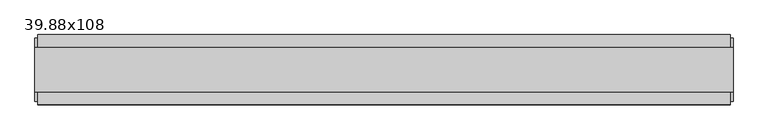
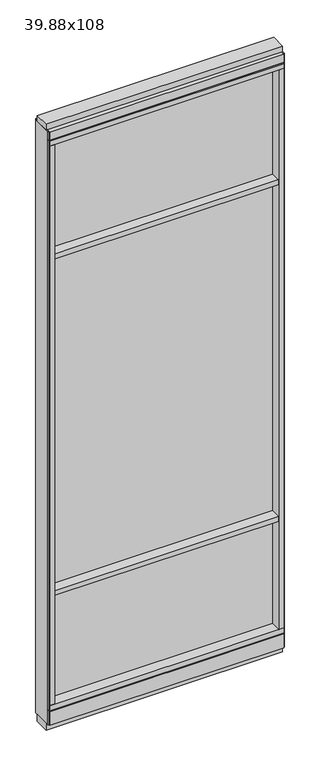
"""IFC4 building model written with IfcOpenShell, lengths in millimetres: furniture geometry, 39.88x108."""

from ifc_helpers import new_model, si_unit, frame, origin, origin_with_axes, place, context, project, spatial, polyline, outline, extrude, source, transform, mapped, element, save


def furniture_39_88x108_29c61fdb(model_context):
    return source(origin(), model_context, "Body", "SweptSolid", [
        extrude(outline(polyline([(-540.3366323, 0.5622784), (420.2635864, 0.5622784), (420.2635864, -9.5977216), (-540.3366323, -9.5977216), (-540.3366323, 0.5622784)])), frame((0.0, 0.0, 2155.825), z_axis=(0.0, 0.0, 1.0), x_axis=(1.0, 0.0, 0.0)), (0.0, 0.0, 1.0), 498.475),
        extrude(outline(polyline([(-540.3366323, 0.5622784), (420.2635864, 0.5622784), (420.2635864, -9.5977216), (-540.3366323, -9.5977216), (-540.3366323, 0.5622784)])), frame((0.0, 0.0, 631.825), z_axis=(0.0, 0.0, 1.0), x_axis=(1.0, 0.0, 0.0)), (0.0, 0.0, 1.0), 1501.775),
        extrude(outline(polyline([(-540.3366323, -52.3332216), (-540.3366323, 43.2977784), (420.2635864, 43.2977784), (420.2635864, -52.3332216), (-540.3366323, -52.3332216)])), frame((0.0, 0.0, 2133.6), z_axis=(0.0, 0.0, 1.0), x_axis=(1.0, 0.0, 0.0)), (0.0, 0.0, 1.0), 22.225),
        extrude(outline(polyline([(-540.3366323, -52.3332216), (-540.3366323, 43.2977784), (420.2635864, 43.2977784), (420.2635864, -52.3332216), (-540.3366323, -52.3332216)])), frame((0.0, 0.0, 609.6), z_axis=(0.0, 0.0, 1.0), x_axis=(1.0, 0.0, 0.0)), (0.0, 0.0, 1.0), 22.225),
        extrude(outline(polyline([(420.2635864, -9.5977216), (-540.3366323, -9.5977216), (-540.3366323, 0.5622784), (420.2635864, 0.5622784), (420.2635864, -9.5977216)])), frame((0.0, 0.0, 120.523), z_axis=(0.0, 0.0, 1.0), x_axis=(1.0, 0.0, 0.0)), (0.0, 0.0, 1.0), 489.077),
        extrude(outline(polyline([(-55.3177216, 93.345), (-50.3647216, 93.345), (-50.3647216, 98.298), (41.3292784, 98.298), (41.3292784, 93.345), (46.2822784, 93.345), (46.2822784, 31.75), (-55.3177216, 31.75), (-55.3177216, 93.345)])), frame((-562.5616323, 0.0, 0.0), z_axis=(1.0, 0.0, 0.0), x_axis=(0.0, 1.0, 0.0)), (0.0, 0.0, 1.0), 1005.0502187),
        extrude(outline(polyline([(-562.5616323, -55.3177216), (-562.5616323, 46.2822784), (442.4885864, 46.2822784), (442.4885864, -55.3177216), (-562.5616323, -55.3177216)])), frame((0.0, 0.0, 98.298), z_axis=(0.0, 0.0, 1.0), x_axis=(1.0, 0.0, 0.0)), (0.0, 0.0, 1.0), 22.225),
        extrude(outline(polyline([(446.4255864, 27.9942784), (446.4255864, -37.0297216), (-566.4986323, -37.0297216), (-566.4986323, 27.9942784), (446.4255864, 27.9942784)])), origin_with_axes(), (0.0, 0.0, 1.0), 31.75),
        extrude(outline(polyline([(-566.4986323, -37.0297216), (-566.4986323, 27.9942784), (446.4255864, 27.9942784), (446.4255864, -37.0297216), (-566.4986323, -37.0297216)])), frame((0.0, 0.0, 2717.8), z_axis=(0.0, 0.0, 1.0), x_axis=(1.0, 0.0, 0.0)), (0.0, 0.0, 1.0), 25.4),
        extrude(outline(polyline([(-55.3177216, 2681.478), (-55.3177216, 2717.8), (46.2822784, 2717.8), (46.2822784, 2681.478), (41.3292784, 2681.478), (41.3292784, 2676.525), (-50.3647216, 2676.525), (-50.3647216, 2681.478), (-55.3177216, 2681.478)])), frame((-562.5616323, 0.0, 0.0), z_axis=(1.0, 0.0, 0.0), x_axis=(0.0, 1.0, 0.0)), (0.0, 0.0, 1.0), 1005.0502187),
        extrude(outline(polyline([(442.4885864, 46.2822784), (442.4885864, -55.3177216), (-562.5616323, -55.3177216), (-562.5616323, 46.2822784), (442.4885864, 46.2822784)])), frame((0.0, 0.0, 2654.3), z_axis=(0.0, 0.0, 1.0), x_axis=(1.0, 0.0, 0.0)), (0.0, 0.0, 1.0), 22.225),
        extrude(outline(polyline([(420.2635864, -55.3177216), (420.2635864, 46.2822784), (442.4885864, 46.2822784), (442.4885864, -55.3177216), (420.2635864, -55.3177216)])), frame((0.0, 0.0, 120.523), z_axis=(0.0, 0.0, 1.0), x_axis=(1.0, 0.0, 0.0)), (0.0, 0.0, 1.0), 2533.777),
        extrude(outline(polyline([(-540.3366323, -55.3177216), (-562.5616323, -55.3177216), (-562.5616323, 46.2822784), (-540.3366323, 46.2822784), (-540.3366323, -55.3177216)])), frame((0.0, 0.0, 120.523), z_axis=(0.0, 0.0, 1.0), x_axis=(1.0, 0.0, 0.0)), (0.0, 0.0, 1.0), 2533.777),
        extrude(outline(polyline([(446.4255864, -50.3647216), (442.4885864, -50.3647216), (442.4885864, 41.3292784), (446.4255864, 41.3292784), (446.4255864, -50.3647216)])), frame((0.0, 0.0, 31.75), z_axis=(0.0, 0.0, 1.0), x_axis=(1.0, 0.0, 0.0)), (0.0, 0.0, 1.0), 2686.05),
        extrude(outline(polyline([(-566.4986323, -50.3647216), (-566.4986323, 41.3292784), (-562.5616323, 41.3292784), (-562.5616323, -50.3647216), (-566.4986323, -50.3647216)])), frame((0.0, 0.0, 31.75), z_axis=(0.0, 0.0, 1.0), x_axis=(1.0, 0.0, 0.0)), (0.0, 0.0, 1.0), 2686.05),
    ])


if __name__ == "__main__":
    model = new_model("IFC4")
    model_context = context("Model", 3, world=origin())
    ifc_project = project(units=[si_unit("LENGTHUNIT", "METRE", prefix="MILLI")], contexts=[model_context])
    site = spatial("IfcSite", under=ifc_project)
    building = spatial("IfcBuilding", under=site)
    placement = place(None, origin())
    furniture_39_88x108_shape = furniture_39_88x108_29c61fdb(model_context)
    element("IfcFurniture", 1, ObjectType="39.88x108", at=placement, inside=building, context=model_context, shape_type="MappedRepresentation", body=[
        mapped(furniture_39_88x108_shape, transform((0.0, 0.0, 0.0), x_axis=(1.0, 0.0, 0.0), y_axis=(0.0, 1.0, 0.0), z_axis=(0.0, 0.0, 1.0))),
    ])
    save(model, "model.ifc")
